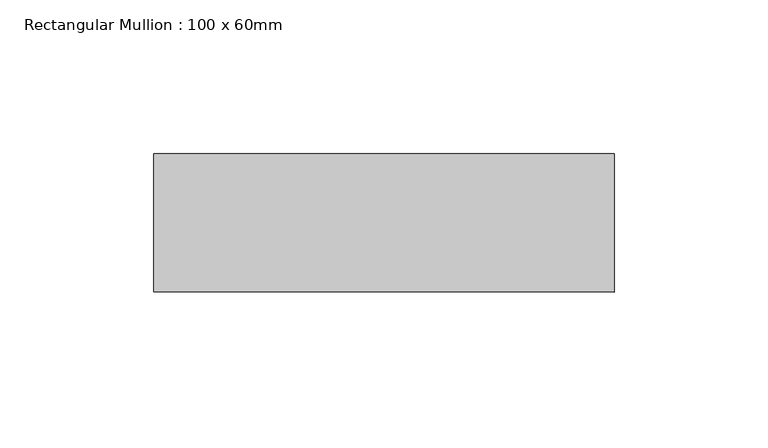
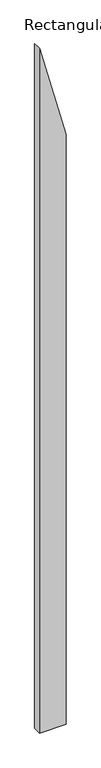
"""IFC4 building model written with IfcOpenShell, lengths in millimetres: member geometry, Rectangular Mullion : 100 x 60mm."""

from ifc_helpers import new_model, si_unit, frame, origin, place, context, project, spatial, polyline, outline, extrude, source, transform, mapped, element, save


def rectangular_mullion_100_x_60mm_7148df44(model_context):
    return source(origin(), model_context, "Body", "SweptSolid", [
        extrude(outline(polyline([(-1245.8296369, 75.0), (-686.0220157, -75.0), (-4727.4066103, -75.0), (-4727.4066103, 75.0), (-1245.8296369, 75.0)])), frame((0.0, -15.0, 0.0), z_axis=(0.0, 1.0, 0.0), x_axis=(0.0, 0.0, 1.0)), (0.0, 0.0, 1.0), 45.0),
    ])


if __name__ == "__main__":
    model = new_model("IFC4")
    model_context = context("Model", 3, world=origin())
    ifc_project = project(units=[si_unit("LENGTHUNIT", "METRE", prefix="MILLI")], contexts=[model_context])
    site = spatial("IfcSite", under=ifc_project)
    building = spatial("IfcBuilding", under=site)
    placement = place(None, origin())
    rectangular_mullion_100_x_60mm_shape = rectangular_mullion_100_x_60mm_7148df44(model_context)
    element("IfcMember", 1, ObjectType="Rectangular Mullion : 100 x 60mm", at=placement, inside=building, context=model_context, shape_type="MappedRepresentation", body=[
        mapped(rectangular_mullion_100_x_60mm_shape, transform((0.0, 0.0, 0.0), x_axis=(1.0, 0.0, 0.0), y_axis=(0.0, 1.0, 0.0), z_axis=(0.0, 0.0, 1.0))),
    ])
    save(model, "model.ifc")
